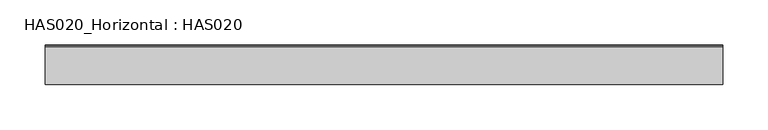
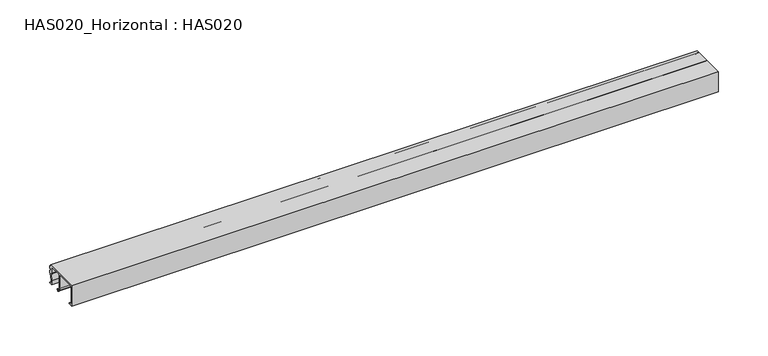
"""IFC4 building model written with IfcOpenShell, lengths in millimetres: beam geometry, HAS020_Horizontal : HAS020."""

from ifc_helpers import new_model, si_unit, point, frame, frame_2d, origin, place, context, project, spatial, polyline, circle_curve, trimmed, segment, composite_curve, outline, extrude, source, transform, mapped, element, save


def has020_horizontal_has020_949f24a3(model_context):
    return source(origin(), model_context, "Body", "SweptSolid", [
        extrude(outline(composite_curve([segment(polyline([(-20.6950115, 1.3049885), (-17.6333077, 1.3049885)]), True, "CONTINUOUS"), segment(trimmed(circle_curve(frame_2d((-17.6333077, 0.6524943)), 0.6524943), [point((-17.6333077, 1.3049885))], [point((-17.6333077, 0.0))], False, "CARTESIAN"), True, "CONTINUOUS"), segment(polyline([(-17.6333077, 0.0), (-22.0, 0.0), (-22.0, 25.0), (19.7953106, 25.0), (19.7953106, 22.6409823), (21.5018341, 22.6409823)]), True, "CONTINUOUS"), segment(trimmed(circle_curve(frame_2d((21.5018341, 22.1390636)), 0.5019187), [point((21.5018341, 22.6409823))], [point((22.0037527, 22.1390636))], False, "CARTESIAN"), True, "CONTINUOUS"), segment(polyline([(22.0037527, 22.1390636), (22.0037527, 20.5336914)]), True, "CONTINUOUS"), segment(trimmed(circle_curve(frame_2d((21.5018341, 20.5336914)), 0.5019187), [point((22.0037527, 20.5336914))], [point((20.9999154, 20.5336914))], False, "CARTESIAN"), True, "CONTINUOUS"), segment(polyline([(20.9999154, 20.5336914), (20.9999154, 21.3359938), (19.5945432, 21.3359938), (19.5945432, 15.9152723), (20.9999154, 15.9152723), (20.9999154, 16.7175747)]), True, "CONTINUOUS"), segment(trimmed(circle_curve(frame_2d((21.5018341, 16.7175747)), 0.5019187), [point((20.9999154, 16.7175747))], [point((22.0037527, 16.7175747))], False, "CARTESIAN"), True, "CONTINUOUS"), segment(polyline([(22.0037527, 16.7175747), (22.0037527, 15.1122024)]), True, "CONTINUOUS"), segment(trimmed(circle_curve(frame_2d((21.5018341, 15.1122024)), 0.5019187), [point((22.0037527, 15.1122024))], [point((21.5018341, 14.6102838))], False, "CARTESIAN"), True, "CONTINUOUS"), segment(polyline([(21.5018341, 14.6102838), (20.6267142, 14.6102838), (19.1930082, 6.4793332), (19.509176, 2.8655188), (21.0977895, 2.8655188)]), True, "CONTINUOUS"), segment(trimmed(circle_curve(frame_2d((21.0977895, 2.2632164)), 0.6023024), [point((21.0977895, 2.8655188))], [point((21.0977895, 1.6609141))], False, "CARTESIAN"), True, "CONTINUOUS"), segment(polyline([(21.0977895, 1.6609141), (18.4036027, 1.6609141), (17.9906398, 6.5974057), (19.408731, 14.6398002)]), True, "CONTINUOUS"), segment(trimmed(circle_curve(frame_2d((19.1930082, 15.4133536)), 0.8030699), [point((19.408731, 14.6398002))], [point((18.3899384, 15.4133536))], False, "CARTESIAN"), True, "CONTINUOUS"), segment(polyline([(18.3899384, 15.4133536), (18.3899384, 22.8919416)]), True, "CONTINUOUS"), segment(trimmed(circle_curve(frame_2d((17.5868685, 22.8919416)), 0.8030699), [point((18.3899384, 22.8919416))], [point((17.5868685, 23.6950115))], True, "CARTESIAN"), True, "CONTINUOUS"), segment(polyline([(17.5868685, 23.6950115), (4.0997702, 23.6950115)]), True, "CONTINUOUS"), segment(trimmed(circle_curve(frame_2d((4.0997702, 22.8919416)), 0.8030699), [point((4.0997702, 23.6950115))], [point((3.2967004, 22.8919416))], True, "CARTESIAN"), True, "CONTINUOUS"), segment(polyline([(3.2967004, 22.8919416), (3.2967004, 7.1962874), (6.4242792, 4.0687086)]), True, "CONTINUOUS"), segment(trimmed(circle_curve(frame_2d((5.8564231, 3.5008524)), 0.8030699), [point((6.4242792, 4.0687086))], [point((6.551902, 3.0993175))], False, "CARTESIAN"), True, "CONTINUOUS"), segment(polyline([(6.551902, 3.0993175), (5.8663308, 1.9118734)]), True, "CONTINUOUS"), segment(trimmed(circle_curve(frame_2d((5.4316565, 2.1628327)), 0.5019187), [point((5.8663308, 1.9118734))], [point((4.9969822, 2.413792))], False, "CARTESIAN"), True, "CONTINUOUS"), segment(polyline([(4.9969822, 2.413792), (5.6055262, 3.4678212), (3.8480301, 5.2253173), (2.0920956, 4.9156987), (2.0920956, 22.8919416)]), True, "CONTINUOUS"), segment(trimmed(circle_curve(frame_2d((1.2890257, 22.8919416)), 0.8030699), [point((2.0920956, 22.8919416))], [point((1.2890257, 23.6950115))], True, "CARTESIAN"), True, "CONTINUOUS"), segment(polyline([(1.2890257, 23.6950115), (-19.8919416, 23.6950115)]), True, "CONTINUOUS"), segment(trimmed(circle_curve(frame_2d((-19.8919416, 22.8919416)), 0.8030699), [point((-19.8919416, 23.6950115))], [point((-20.6950115, 22.8919416))], True, "CARTESIAN"), True, "CONTINUOUS"), segment(polyline([(-20.6950115, 22.8919416), (-20.6950115, 1.3049885)]), True, "CONTINUOUS")], self_intersect=False)), frame((-374.9040671, 0.0, 0.0), z_axis=(1.0, 0.0, 0.0), x_axis=(0.0, 1.0, 0.0)), (0.0, 0.0, 1.0), 749.8081342),
    ])


if __name__ == "__main__":
    model = new_model("IFC4")
    model_context = context("Model", 3, world=origin())
    ifc_project = project(units=[si_unit("LENGTHUNIT", "METRE", prefix="MILLI")], contexts=[model_context])
    site = spatial("IfcSite", under=ifc_project)
    building = spatial("IfcBuilding", under=site)
    placement = place(None, origin())
    has020_horizontal_has020_shape = has020_horizontal_has020_949f24a3(model_context)
    element("IfcBeam", 1, ObjectType="HAS020_Horizontal : HAS020", at=placement, inside=building, context=model_context, shape_type="MappedRepresentation", body=[
        mapped(has020_horizontal_has020_shape, transform((0.0, 0.0, 0.0), x_axis=(1.0, 0.0, 0.0), y_axis=(0.0, 1.0, 0.0), z_axis=(0.0, 0.0, 1.0))),
    ])
    save(model, "model.ifc")
